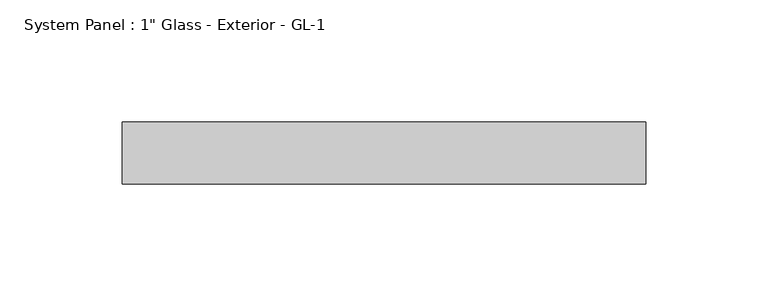
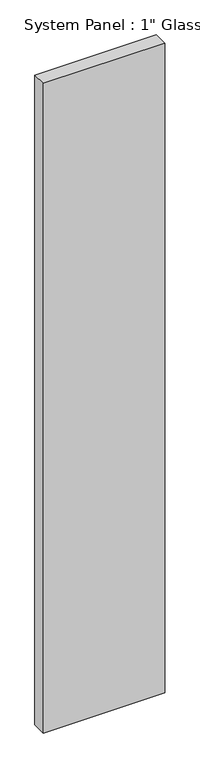
"""IFC4 building model written with IfcOpenShell, lengths in millimetres: plate geometry."""

from ifc_helpers import new_model, si_unit, origin, origin_with_axes, place, context, project, spatial, polyline, outline, extrude, source, transform, mapped, element, save


def plate_17ce9906(model_context):
    return source(origin(), model_context, "Body", "SweptSolid", [
        extrude(outline(polyline([(106.9906598, 12.7), (-106.9906598, 12.7), (-106.9906598, 38.1), (106.9906598, 38.1), (106.9906598, 12.7)])), origin_with_axes(), (0.0, 0.0, 1.0), 1209.675),
    ])


if __name__ == "__main__":
    model = new_model("IFC4")
    model_context = context("Model", 3, world=origin())
    ifc_project = project(units=[si_unit("LENGTHUNIT", "METRE", prefix="MILLI")], contexts=[model_context])
    site = spatial("IfcSite", under=ifc_project)
    building = spatial("IfcBuilding", under=site)
    placement = place(None, origin())
    plate_shape = plate_17ce9906(model_context)
    element("IfcPlate", 1, ObjectType="System Panel : 1\" Glass - Exterior - GL-1", at=placement, inside=building, context=model_context, shape_type="MappedRepresentation", body=[
        mapped(plate_shape, transform((0.0, 0.0, 0.0), x_axis=(1.0, 0.0, 0.0), y_axis=(0.0, 1.0, 0.0), z_axis=(0.0, 0.0, 1.0))),
    ])
    save(model, "model.ifc")
